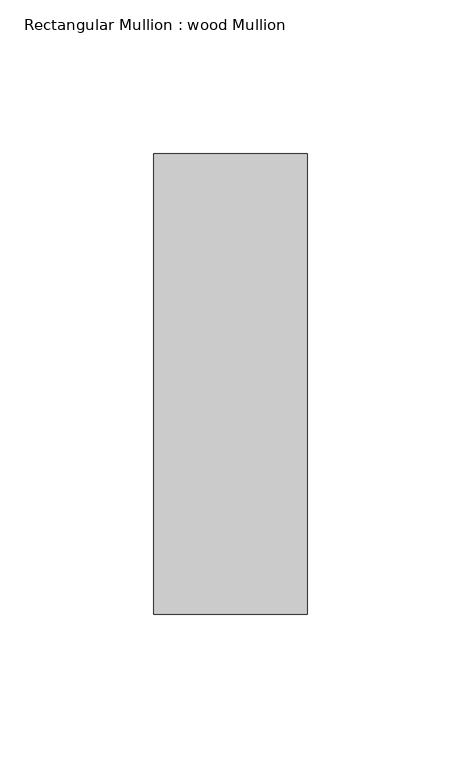
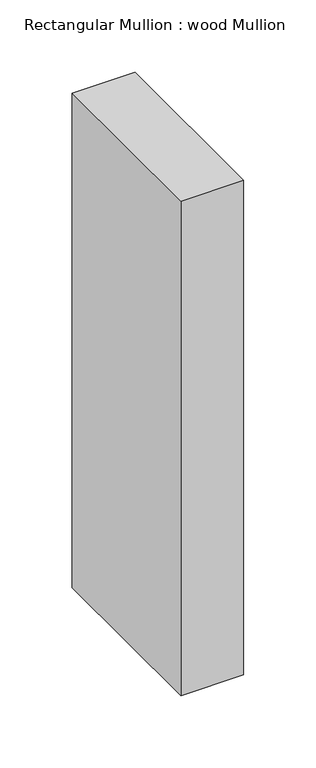
"""IFC4 building model written with IfcOpenShell, lengths in millimetres: member geometry, Rectangular Mullion : wood Mullion."""

from ifc_helpers import new_model, si_unit, frame, origin, place, context, project, spatial, polyline, outline, extrude, source, transform, mapped, element, save


def rectangular_mullion_wood_mullion_fc7b268f(model_context):
    return source(origin(), model_context, "Body", "SweptSolid", [
        extrude(outline(polyline([(0.0, 75.0), (0.0, -75.0), (-50.0, -75.0), (-50.0, 75.0), (0.0, 75.0)])), frame((0.0, 0.0, -416.378365), z_axis=(0.0, 0.0, 1.0), x_axis=(1.0, 0.0, 0.0)), (0.0, 0.0, 1.0), 416.378365),
    ])


if __name__ == "__main__":
    model = new_model("IFC4")
    model_context = context("Model", 3, world=origin())
    ifc_project = project(units=[si_unit("LENGTHUNIT", "METRE", prefix="MILLI")], contexts=[model_context])
    site = spatial("IfcSite", under=ifc_project)
    building = spatial("IfcBuilding", under=site)
    placement = place(None, origin())
    rectangular_mullion_wood_mullion_shape = rectangular_mullion_wood_mullion_fc7b268f(model_context)
    element("IfcMember", 1, ObjectType="Rectangular Mullion : wood Mullion", at=placement, inside=building, context=model_context, shape_type="MappedRepresentation", body=[
        mapped(rectangular_mullion_wood_mullion_shape, transform((0.0, 0.0, 0.0), x_axis=(1.0, 0.0, 0.0), y_axis=(0.0, 1.0, 0.0), z_axis=(0.0, 0.0, 1.0))),
    ])
    save(model, "model.ifc")
